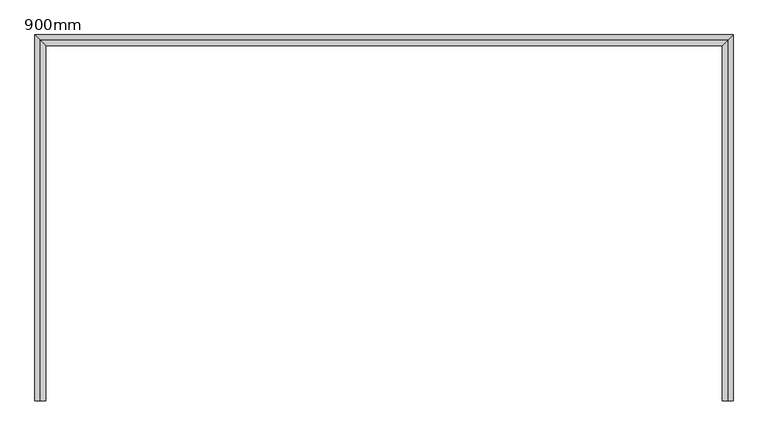
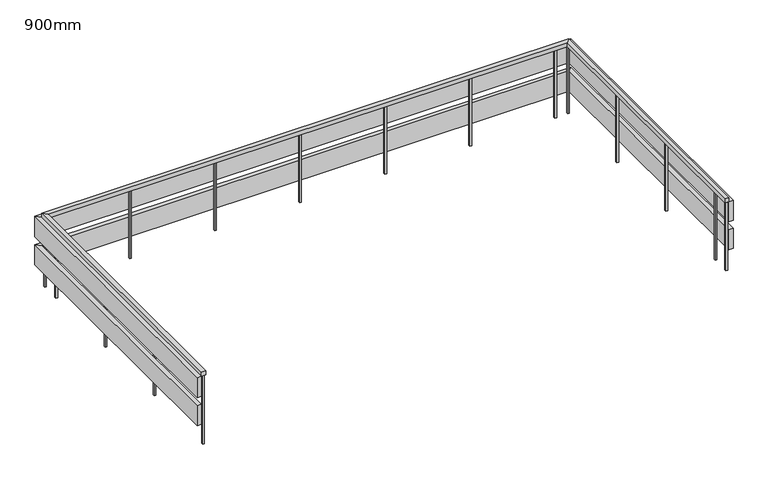
"""IFC4 building model written with IfcOpenShell, lengths in millimetres: railing geometry, 900mm."""

from ifc_helpers import new_model, si_unit, frame, origin, place, context, project, spatial, polyline, outline, extrude, faceted_brep, source, transform, mapped, element, save


def railing_900mm_5797a69e(model_context):
    return source(origin(), model_context, "Body", "SolidModel", [
        faceted_brep([(-10863.5009188, 15200.0788907, 4200.0), (-10913.5009188, 15200.0788907, 4200.0), (-10913.5009188, 15200.0788907, 4150.0), (-10863.5009188, 15200.0788907, 4150.0), (-10863.5009188, 18405.0788907, 4200.0), (-10913.5009188, 18455.0788907, 4200.0), (-10913.5009188, 18455.0788907, 4150.0), (-10863.5009188, 18405.0788907, 4150.0), (-4763.5009188, 18405.0788907, 4200.0), (-4713.5009188, 18455.0788907, 4200.0), (-4713.5009188, 18455.0788907, 4150.0), (-4763.5009188, 18405.0788907, 4150.0), (-4763.5009188, 15200.0788907, 4200.0), (-4763.5009188, 15200.0788907, 4150.0), (-4713.5009188, 15200.0788907, 4150.0), (-4713.5009188, 15200.0788907, 4200.0)], [[[0, 1, 2, 3]], [[1, 0, 4, 5]], [[2, 1, 5, 6]], [[3, 2, 6, 7]], [[0, 3, 7, 4]], [[5, 4, 8, 9]], [[6, 5, 9, 10]], [[7, 6, 10, 11]], [[4, 7, 11, 8]], [[12, 13, 14, 15]], [[9, 8, 12, 15]], [[10, 9, 15, 14]], [[11, 10, 14, 13]], [[8, 11, 13, 12]]]),
        faceted_brep([(-10913.5009188, 15200.0788907, 4150.0), (-10963.5009188, 15200.0788907, 4150.0), (-10963.5009188, 15200.0788907, 3900.0), (-10913.5009188, 15200.0788907, 3900.0), (-10913.5009188, 18455.0788907, 4150.0), (-10963.5009188, 18505.0788907, 4150.0), (-10963.5009188, 18505.0788907, 3900.0), (-10913.5009188, 18455.0788907, 3900.0), (-4713.5009188, 18455.0788907, 4150.0), (-4663.5009188, 18505.0788907, 4150.0), (-4663.5009188, 18505.0788907, 3900.0), (-4713.5009188, 18455.0788907, 3900.0), (-4713.5009188, 15200.0788907, 4150.0), (-4713.5009188, 15200.0788907, 3900.0), (-4663.5009188, 15200.0788907, 3900.0), (-4663.5009188, 15200.0788907, 4150.0)], [[[0, 1, 2, 3]], [[1, 0, 4, 5]], [[2, 1, 5, 6]], [[3, 2, 6, 7]], [[0, 3, 7, 4]], [[5, 4, 8, 9]], [[6, 5, 9, 10]], [[7, 6, 10, 11]], [[4, 7, 11, 8]], [[12, 13, 14, 15]], [[9, 8, 12, 15]], [[10, 9, 15, 14]], [[11, 10, 14, 13]], [[8, 11, 13, 12]]]),
        faceted_brep([(-10913.5009188, 15200.0788907, 3800.0), (-10963.5009188, 15200.0788907, 3800.0), (-10963.5009188, 15200.0788907, 3550.0), (-10913.5009188, 15200.0788907, 3550.0), (-10913.5009188, 18455.0788907, 3800.0), (-10963.5009188, 18505.0788907, 3800.0), (-10963.5009188, 18505.0788907, 3550.0), (-10913.5009188, 18455.0788907, 3550.0), (-4713.5009188, 18455.0788907, 3800.0), (-4663.5009188, 18505.0788907, 3800.0), (-4663.5009188, 18505.0788907, 3550.0), (-4713.5009188, 18455.0788907, 3550.0), (-4713.5009188, 15200.0788907, 3800.0), (-4713.5009188, 15200.0788907, 3550.0), (-4663.5009188, 15200.0788907, 3550.0), (-4663.5009188, 15200.0788907, 3800.0)], [[[0, 1, 2, 3]], [[1, 0, 4, 5]], [[2, 1, 5, 6]], [[3, 2, 6, 7]], [[0, 3, 7, 4]], [[5, 4, 8, 9]], [[6, 5, 9, 10]], [[7, 6, 10, 11]], [[4, 7, 11, 8]], [[12, 13, 14, 15]], [[9, 8, 12, 15]], [[10, 9, 15, 14]], [[11, 10, 14, 13]], [[8, 11, 13, 12]]]),
        extrude(outline(polyline([(-4748.5009188, 15440.0788907), (-4728.5009188, 15440.0788907), (-4728.5009188, 15420.0788907), (-4748.5009188, 15420.0788907), (-4748.5009188, 15440.0788907)])), frame((0.0, 0.0, 3300.0), z_axis=(0.0, 0.0, 1.0), x_axis=(1.0, 0.0, 0.0)), (0.0, 0.0, 1.0), 850.0),
        extrude(outline(polyline([(-4748.5009188, 16440.0788907), (-4728.5009188, 16440.0788907), (-4728.5009188, 16420.0788907), (-4748.5009188, 16420.0788907), (-4748.5009188, 16440.0788907)])), frame((0.0, 0.0, 3300.0), z_axis=(0.0, 0.0, 1.0), x_axis=(1.0, 0.0, 0.0)), (0.0, 0.0, 1.0), 850.0),
        extrude(outline(polyline([(-4748.5009188, 17440.0788907), (-4728.5009188, 17440.0788907), (-4728.5009188, 17420.0788907), (-4748.5009188, 17420.0788907), (-4748.5009188, 17440.0788907)])), frame((0.0, 0.0, 3300.0), z_axis=(0.0, 0.0, 1.0), x_axis=(1.0, 0.0, 0.0)), (0.0, 0.0, 1.0), 850.0),
        extrude(outline(polyline([(-4898.5009188, 18420.0788907), (-4898.5009188, 18440.0788907), (-4878.5009188, 18440.0788907), (-4878.5009188, 18420.0788907), (-4898.5009188, 18420.0788907)])), frame((0.0, 0.0, 3300.0), z_axis=(0.0, 0.0, 1.0), x_axis=(1.0, 0.0, 0.0)), (0.0, 0.0, 1.0), 850.0),
        extrude(outline(polyline([(-5898.5009188, 18420.0788907), (-5898.5009188, 18440.0788907), (-5878.5009188, 18440.0788907), (-5878.5009188, 18420.0788907), (-5898.5009188, 18420.0788907)])), frame((0.0, 0.0, 3300.0), z_axis=(0.0, 0.0, 1.0), x_axis=(1.0, 0.0, 0.0)), (0.0, 0.0, 1.0), 850.0),
        extrude(outline(polyline([(-6898.5009188, 18420.0788907), (-6898.5009188, 18440.0788907), (-6878.5009188, 18440.0788907), (-6878.5009188, 18420.0788907), (-6898.5009188, 18420.0788907)])), frame((0.0, 0.0, 3300.0), z_axis=(0.0, 0.0, 1.0), x_axis=(1.0, 0.0, 0.0)), (0.0, 0.0, 1.0), 850.0),
        extrude(outline(polyline([(-7898.5009188, 18420.0788907), (-7898.5009188, 18440.0788907), (-7878.5009188, 18440.0788907), (-7878.5009188, 18420.0788907), (-7898.5009188, 18420.0788907)])), frame((0.0, 0.0, 3300.0), z_axis=(0.0, 0.0, 1.0), x_axis=(1.0, 0.0, 0.0)), (0.0, 0.0, 1.0), 850.0),
        extrude(outline(polyline([(-8898.5009188, 18420.0788907), (-8898.5009188, 18440.0788907), (-8878.5009188, 18440.0788907), (-8878.5009188, 18420.0788907), (-8898.5009188, 18420.0788907)])), frame((0.0, 0.0, 3300.0), z_axis=(0.0, 0.0, 1.0), x_axis=(1.0, 0.0, 0.0)), (0.0, 0.0, 1.0), 850.0),
        extrude(outline(polyline([(-9898.5009188, 18420.0788907), (-9898.5009188, 18440.0788907), (-9878.5009188, 18440.0788907), (-9878.5009188, 18420.0788907), (-9898.5009188, 18420.0788907)])), frame((0.0, 0.0, 3300.0), z_axis=(0.0, 0.0, 1.0), x_axis=(1.0, 0.0, 0.0)), (0.0, 0.0, 1.0), 850.0),
        extrude(outline(polyline([(-10878.5009188, 18190.0788907), (-10898.5009188, 18190.0788907), (-10898.5009188, 18210.0788907), (-10878.5009188, 18210.0788907), (-10878.5009188, 18190.0788907)])), frame((0.0, 0.0, 3300.0), z_axis=(0.0, 0.0, 1.0), x_axis=(1.0, 0.0, 0.0)), (0.0, 0.0, 1.0), 850.0),
        extrude(outline(polyline([(-10878.5009188, 17190.0788907), (-10898.5009188, 17190.0788907), (-10898.5009188, 17210.0788907), (-10878.5009188, 17210.0788907), (-10878.5009188, 17190.0788907)])), frame((0.0, 0.0, 3300.0), z_axis=(0.0, 0.0, 1.0), x_axis=(1.0, 0.0, 0.0)), (0.0, 0.0, 1.0), 850.0),
        extrude(outline(polyline([(-10878.5009188, 16190.0788907), (-10898.5009188, 16190.0788907), (-10898.5009188, 16210.0788907), (-10878.5009188, 16210.0788907), (-10878.5009188, 16190.0788907)])), frame((0.0, 0.0, 3300.0), z_axis=(0.0, 0.0, 1.0), x_axis=(1.0, 0.0, 0.0)), (0.0, 0.0, 1.0), 850.0),
        extrude(outline(polyline([(-4748.5009188, 18420.0788907), (-4748.5009188, 18440.0788907), (-4728.5009188, 18440.0788907), (-4728.5009188, 18420.0788907), (-4748.5009188, 18420.0788907)])), frame((0.0, 0.0, 3300.0), z_axis=(0.0, 0.0, 1.0), x_axis=(1.0, 0.0, 0.0)), (0.0, 0.0, 1.0), 850.0),
        extrude(outline(polyline([(-10878.5009188, 18420.0788907), (-10898.5009188, 18420.0788907), (-10898.5009188, 18440.0788907), (-10878.5009188, 18440.0788907), (-10878.5009188, 18420.0788907)])), frame((0.0, 0.0, 3300.0), z_axis=(0.0, 0.0, 1.0), x_axis=(1.0, 0.0, 0.0)), (0.0, 0.0, 1.0), 850.0),
        extrude(outline(polyline([(-4748.5009188, 15220.0788907), (-4728.5009188, 15220.0788907), (-4728.5009188, 15200.0788907), (-4748.5009188, 15200.0788907), (-4748.5009188, 15220.0788907)])), frame((0.0, 0.0, 3300.0), z_axis=(0.0, 0.0, 1.0), x_axis=(1.0, 0.0, 0.0)), (0.0, 0.0, 1.0), 850.0),
        extrude(outline(polyline([(-10878.5009188, 15200.0788907), (-10898.5009188, 15200.0788907), (-10898.5009188, 15220.0788907), (-10878.5009188, 15220.0788907), (-10878.5009188, 15200.0788907)])), frame((0.0, 0.0, 3300.0), z_axis=(0.0, 0.0, 1.0), x_axis=(1.0, 0.0, 0.0)), (0.0, 0.0, 1.0), 850.0),
    ])


if __name__ == "__main__":
    model = new_model("IFC4")
    model_context = context("Model", 3, world=origin())
    ifc_project = project(units=[si_unit("LENGTHUNIT", "METRE", prefix="MILLI")], contexts=[model_context])
    site = spatial("IfcSite", under=ifc_project)
    building = spatial("IfcBuilding", under=site)
    placement = place(None, origin())
    railing_900mm_shape = railing_900mm_5797a69e(model_context)
    element("IfcRailing", 1, ObjectType="900mm", at=placement, inside=building, context=model_context, shape_type="MappedRepresentation", body=[
        mapped(railing_900mm_shape, transform((0.0, 0.0, 0.0), x_axis=(1.0, 0.0, 0.0), y_axis=(0.0, 1.0, 0.0), z_axis=(0.0, 0.0, 1.0))),
    ])
    save(model, "model.ifc")
